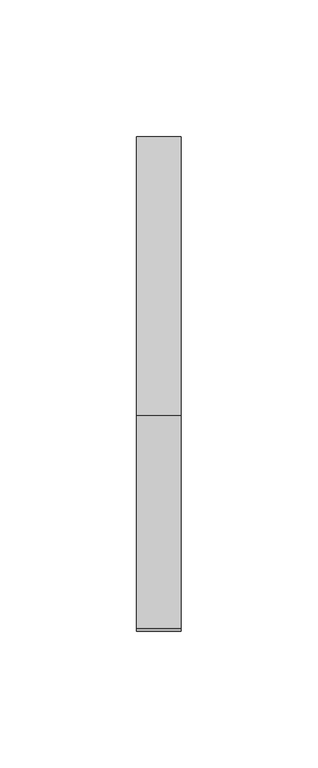
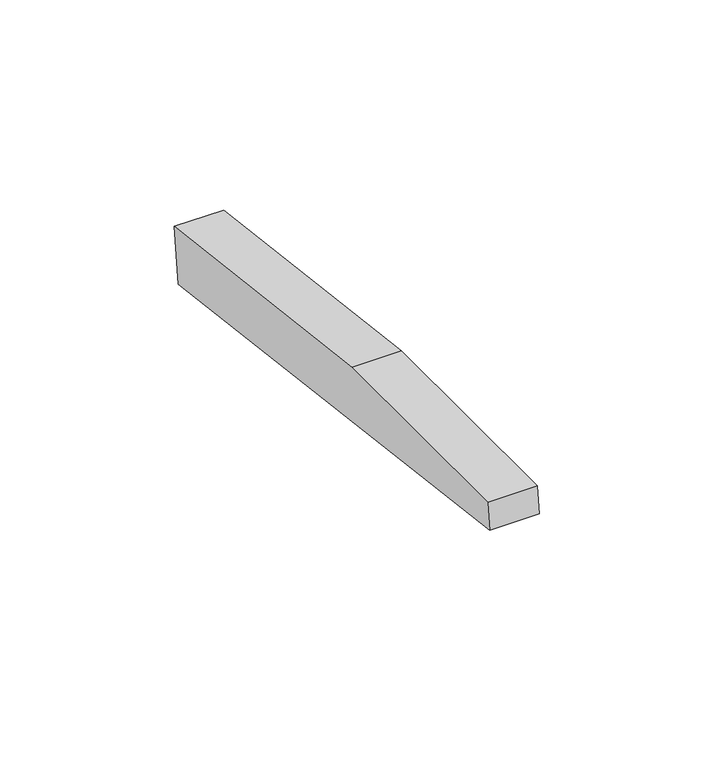
"""IFC4 building model written with IfcOpenShell, lengths in millimetres: beam geometry."""

from ifc_helpers import new_model, si_unit, frame, origin, place, context, project, spatial, polyline, outline, extrude, source, transform, mapped, element, save


def beam_b3412224(model_context):
    return source(origin(), model_context, "Body", "SweptSolid", [
        extrude(outline(polyline([(0.0, -9.143159), (1.1226388, 0.0), (79.0749747, 0.0), (180.9387048, -12.5072934), (178.6231873, -31.3656703), (0.0, -9.143159)])), frame((-8.1760222, 0.0, 0.0), z_axis=(1.0, 0.0, 0.0), x_axis=(0.0, 1.0, 0.0)), (0.0, 0.0, 1.0), 16.3520443),
    ])


if __name__ == "__main__":
    model = new_model("IFC4")
    model_context = context("Model", 3, world=origin())
    ifc_project = project(units=[si_unit("LENGTHUNIT", "METRE", prefix="MILLI")], contexts=[model_context])
    site = spatial("IfcSite", under=ifc_project)
    building = spatial("IfcBuilding", under=site)
    placement = place(None, origin())
    beam_shape = beam_b3412224(model_context)
    element("IfcBeam", 1, at=placement, inside=building, context=model_context, shape_type="MappedRepresentation", body=[
        mapped(beam_shape, transform((0.0, 0.0, 0.0), x_axis=(1.0, 0.0, 0.0), y_axis=(0.0, 1.0, 0.0), z_axis=(0.0, 0.0, 1.0))),
    ])
    save(model, "model.ifc")
